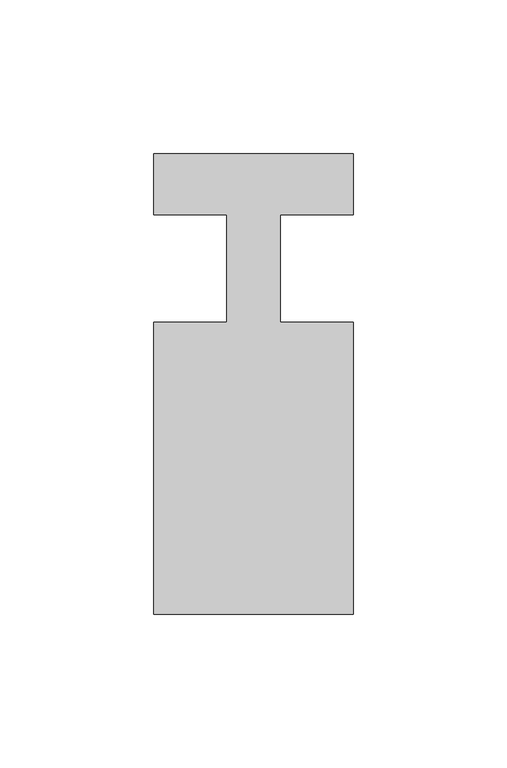
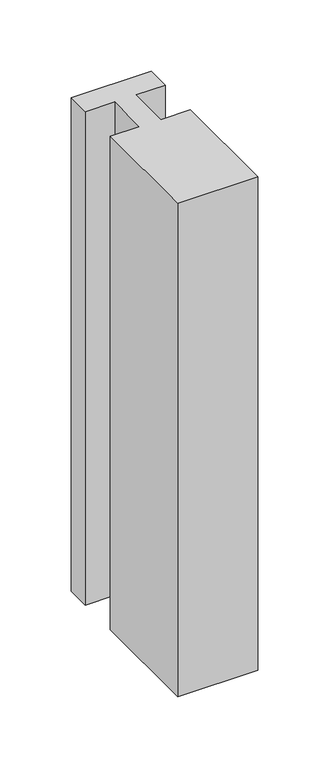
"""IFC4 building model written with IfcOpenShell, lengths in millimetres: member geometry."""

from ifc_helpers import new_model, si_unit, frame, origin, place, context, project, spatial, polyline, outline, extrude, source, transform, mapped, element, save


def member_81492c6b(model_context):
    return source(origin(), model_context, "Body", "SweptSolid", [
        extrude(outline(polyline([(0.0, 37.0), (0.0, 17.0), (-23.8125, 17.0), (-23.8125, -18.0), (0.0, -18.0), (0.0, -113.0), (-65.0, -113.0), (-65.0, -18.0), (-41.1875, -18.0), (-41.1875, 17.0), (-65.0, 17.0), (-65.0, 37.0), (0.0, 37.0)])), frame((0.0, 0.0, -423.8125), z_axis=(0.0, 0.0, 1.0), x_axis=(1.0, 0.0, 0.0)), (0.0, 0.0, 1.0), 423.8125),
    ])


if __name__ == "__main__":
    model = new_model("IFC4")
    model_context = context("Model", 3, world=origin())
    ifc_project = project(units=[si_unit("LENGTHUNIT", "METRE", prefix="MILLI")], contexts=[model_context])
    site = spatial("IfcSite", under=ifc_project)
    building = spatial("IfcBuilding", under=site)
    placement = place(None, origin())
    member_shape = member_81492c6b(model_context)
    element("IfcMember", 1, at=placement, inside=building, context=model_context, shape_type="MappedRepresentation", body=[
        mapped(member_shape, transform((0.0, 0.0, 0.0), x_axis=(1.0, 0.0, 0.0), y_axis=(0.0, 1.0, 0.0), z_axis=(0.0, 0.0, 1.0))),
    ])
    save(model, "model.ifc")
